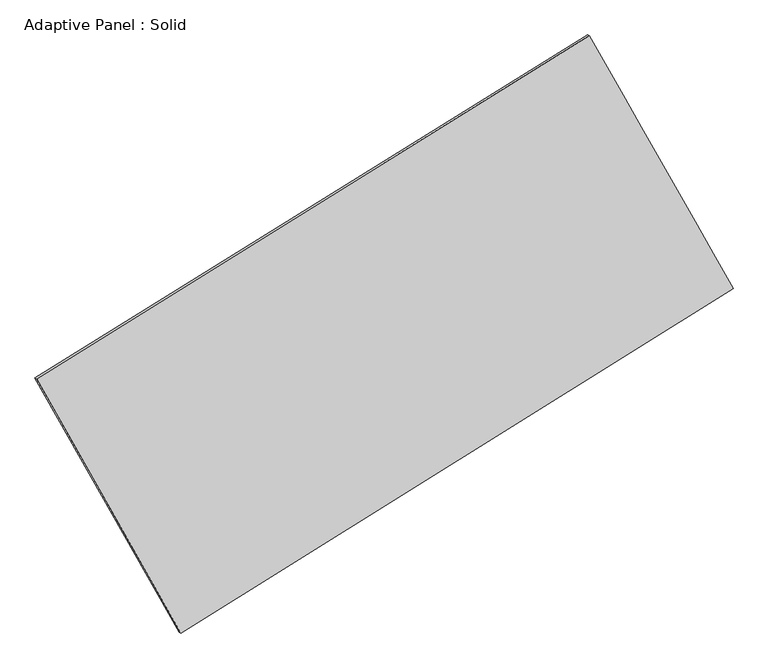
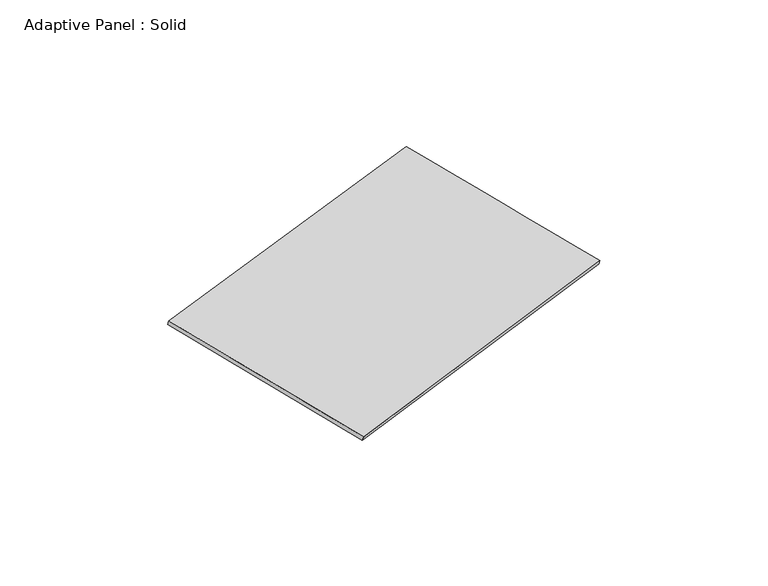
"""IFC4 building model written with IfcOpenShell, lengths in millimetres: plate geometry, Adaptive Panel : Solid."""

from ifc_helpers import new_model, si_unit, frame, origin, place, context, project, spatial, source, transform, mapped, element, save
from ifc_brep_helpers import plane_surface, spline_surface, advanced_brep


def adaptive_panel_solid_2b1215d4(model_context):
    return source(origin(), model_context, "Body", "AdvancedBrep", [
        advanced_brep(
        [(1164.3596994, 2550.4611747, 662.9236806), (-3743.7758847, -497.74431, 1778.6131938), (-3729.1095289, -504.1244034, 1825.9861018), (1179.0260552, 2544.0810812, 710.2965886), (-2463.2705384, -2757.2332257, 1071.2073436), (-2448.6041826, -2763.6133191, 1118.5802516), (2439.3961456, 304.2677881, -27.6216977), (2454.0625014, 297.8876946, 19.7512103)],
        [
            (0, 1),
            (1, 2),
            (2, 3),
            (3, 0),
            (1, 4),
            (4, 5),
            (5, 2),
            (4, 6),
            (6, 7),
            (7, 5),
            (6, 0),
            (3, 7),
        ],
        [
            plane_surface(frame((-1289.7080927, 1026.3584324, 1220.7684372), z_axis=(-0.4666043463199101, 0.8458842845765787, 0.25837987750933544), x_axis=(-0.8340933713397948, -0.5180150274324498, 0.18960136930194776))),
            plane_surface(frame((-3103.5232115, -1627.4887678, 1424.9102687), z_axis=(-0.8288513937459197, -0.5278132604672444, 0.18552231445403933), x_axis=(0.4757184538727676, -0.839419043907272, -0.2628071942902346))),
            plane_surface(frame((-11.9371964, -1226.4827188, 521.7928229), z_axis=(0.4691768329689406, -0.8442822603727287, -0.2589605456921016), x_axis=(0.8332814312857965, 0.5203478251886013, -0.18676240814411074))),
            plane_surface(frame((1801.8779225, 1427.3644814, 317.6509914), z_axis=(0.8289660085623513, 0.5276111818454936, -0.18558501404964012), x_axis=(-0.47690478099151506, 0.8401488194647001, 0.25828625789907167))),
            spline_surface(1, 1, [[(-3729.1095289, -504.1244034, 1825.9861018), (1179.0260552, 2544.0810812, 710.2965886)], [(-2448.6041826, -2763.6133191, 1118.5802516), (2454.0625014, 297.8876946, 19.7512103)]], [2, 2], [2, 2], [0.0, 1.0], [0.0, 1.0]),
            spline_surface(1, 1, [[(2439.3961456, 304.2677881, -27.6216977), (1164.3596994, 2550.4611747, 662.9236806)], [(-2463.2705384, -2757.2332257, 1071.2073436), (-3743.7758847, -497.74431, 1778.6131938)]], [2, 2], [2, 2], [0.0, 1.0], [0.0, 1.0]),
        ],
        [
            (0, [[1, 2, 3, 4]]),
            (1, [[5, 6, 7, -2]]),
            (2, [[8, 9, 10, -6]]),
            (3, [[11, -4, 12, -9]]),
            (4, [[-3, -7, -10, -12]]),
            (5, [[-11, -8, -5, -1]]),
        ],
    ),
    ])


if __name__ == "__main__":
    model = new_model("IFC4")
    model_context = context("Model", 3, world=origin())
    ifc_project = project(units=[si_unit("LENGTHUNIT", "METRE", prefix="MILLI")], contexts=[model_context])
    site = spatial("IfcSite", under=ifc_project)
    building = spatial("IfcBuilding", under=site)
    placement = place(None, origin())
    adaptive_panel_solid_shape = adaptive_panel_solid_2b1215d4(model_context)
    element("IfcPlate", 1, ObjectType="Adaptive Panel : Solid", at=placement, inside=building, context=model_context, shape_type="MappedRepresentation", body=[
        mapped(adaptive_panel_solid_shape, transform((0.0, 0.0, 0.0), x_axis=(1.0, 0.0, 0.0), y_axis=(0.0, 1.0, 0.0), z_axis=(0.0, 0.0, 1.0))),
    ])
    save(model, "model.ifc")
